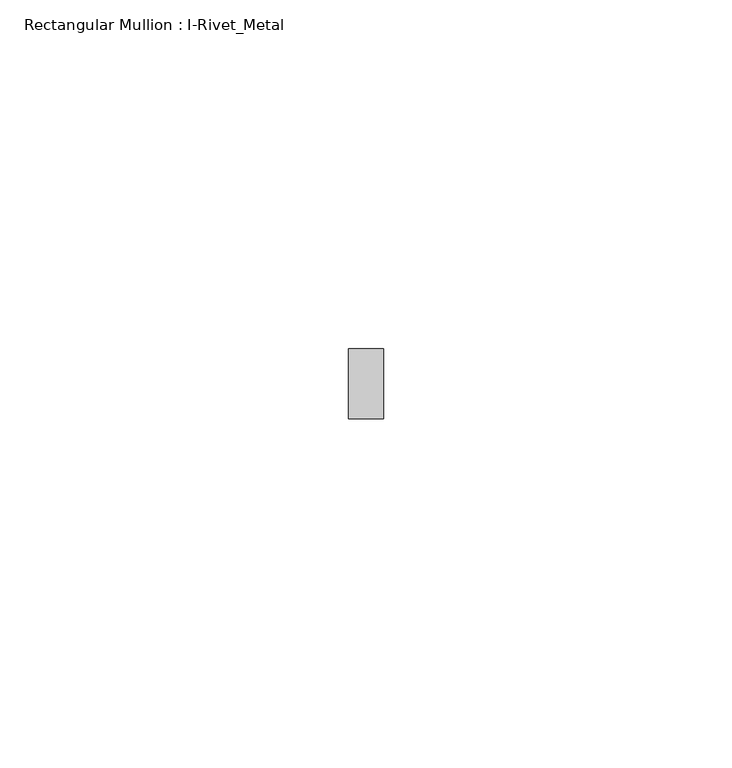
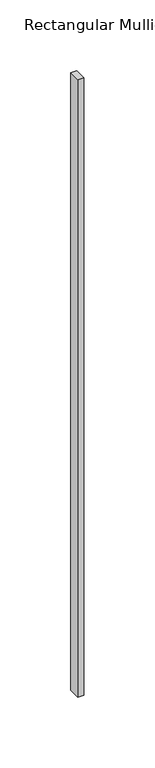
"""IFC4 building model written with IfcOpenShell, lengths in millimetres: member geometry, Rectangular Mullion : I-Rivet_Metal."""

from ifc_helpers import new_model, si_unit, frame, origin, place, context, project, spatial, polyline, outline, extrude, source, transform, mapped, element, save


def rectangular_mullion_i_rivet_metal_dc8a40da(model_context):
    return source(origin(), model_context, "Body", "SweptSolid", [
        extrude(outline(polyline([(2.5, 70.0), (-2.5, 70.0), (-2.5, 80.0), (2.5, 80.0), (2.5, 70.0)])), frame((0.0, 0.0, -533.225348), z_axis=(0.0, 0.0, 1.0), x_axis=(1.0, 0.0, 0.0)), (0.0, 0.0, 1.0), 533.225348),
    ])


if __name__ == "__main__":
    model = new_model("IFC4")
    model_context = context("Model", 3, world=origin())
    ifc_project = project(units=[si_unit("LENGTHUNIT", "METRE", prefix="MILLI")], contexts=[model_context])
    site = spatial("IfcSite", under=ifc_project)
    building = spatial("IfcBuilding", under=site)
    placement = place(None, origin())
    rectangular_mullion_i_rivet_metal_shape = rectangular_mullion_i_rivet_metal_dc8a40da(model_context)
    element("IfcMember", 1, ObjectType="Rectangular Mullion : I-Rivet_Metal", at=placement, inside=building, context=model_context, shape_type="MappedRepresentation", body=[
        mapped(rectangular_mullion_i_rivet_metal_shape, transform((0.0, 0.0, 0.0), x_axis=(1.0, 0.0, 0.0), y_axis=(0.0, 1.0, 0.0), z_axis=(0.0, 0.0, 1.0))),
    ])
    save(model, "model.ifc")
